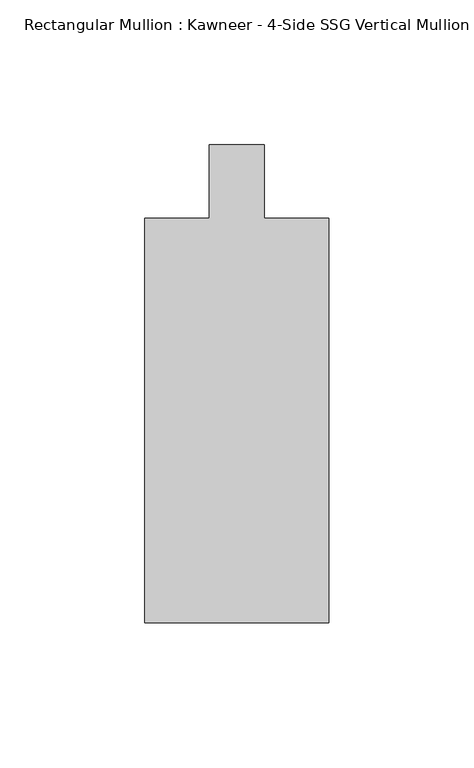
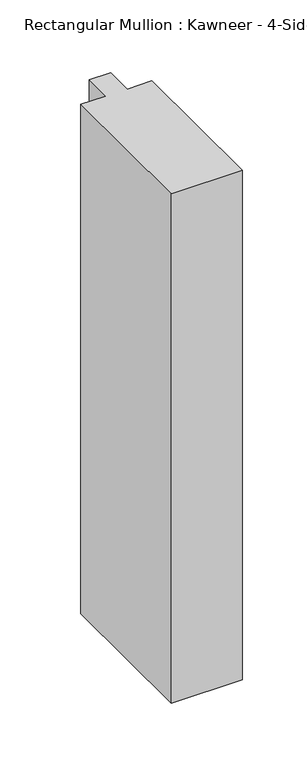
"""IFC4 building model written with IfcOpenShell, lengths in millimetres: member geometry."""

import ifcopenshell
import ifcopenshell.guid

model = None  # the IFC model being written
_history = None  # IfcOwnerHistory: only IFC2X3 demands one
_inside = {}  # id of a spatial element -> (the spatial element, [elements in it])
_under = {}  # id of a project, library or spatial element -> (it, [spatial elements below it])
_declared = {}  # id of a project -> (the project, [libraries it declares])
_typed = {}  # id of a type object -> (the type object, [elements of that type])
_made_of = {}  # id of a material, layer set ... -> (it, [elements and type objects made of it])


def new_model(schema):
    """Start an empty IFC model of exactly this schema.

    Asked for "IFC4X3", IfcOpenShell would pick the latest addendum, in which some entities
    have other attributes; the version numbers below select the first issue.
    IFC2X3 requires an IfcOwnerHistory on every rooted entity: one is made here for all.
    """
    global model, _history
    if schema == "IFC4X3":
        model = ifcopenshell.file(schema_version=(4, 3, 0, 0))
    else:
        model = ifcopenshell.file(schema=schema)
    _inside.clear()
    _under.clear()
    _declared.clear()
    _typed.clear()
    _made_of.clear()
    _history = None
    if model.schema == "IFC2X3":
        org = make("IfcOrganization", Name="unknown")
        user = make(
            "IfcPersonAndOrganization",
            ThePerson=make("IfcPerson", FamilyName="unknown"),
            TheOrganization=org,
        )
        app = make(
            "IfcApplication",
            ApplicationDeveloper=org,
            Version="unknown",
            ApplicationFullName="unknown",
            ApplicationIdentifier="unknown",
        )
        _history = make(
            "IfcOwnerHistory",
            OwningUser=user,
            OwningApplication=app,
            ChangeAction="ADDED",
            CreationDate=0,
        )
    return model


def make(cls, **values):
    """One entity of the class cls with the attributes given. An attribute that is None is left unset."""
    return model.create_entity(
        cls, **{name: value for name, value in values.items() if value is not None}
    )


def rooted(cls, **values):
    """An entity with a GlobalId (a new one), such as an element, a storey or a relation."""
    return make(cls, GlobalId=ifcopenshell.guid.new(), OwnerHistory=_history, **values)


def si_unit(unit_type, name, prefix=None):
    """IfcSIUnit, for example si_unit("LENGTHUNIT", "METRE", prefix="MILLI")."""
    return make("IfcSIUnit", UnitType=unit_type, Prefix=prefix, Name=name)


def assignment(units):
    """IfcUnitAssignment: the units of a project."""
    return None if units is None else make("IfcUnitAssignment", Units=units)


def point(xyz):
    """IfcCartesianPoint."""
    return None if xyz is None else make("IfcCartesianPoint", Coordinates=xyz)


def direction(xyz):
    """IfcDirection."""
    return None if xyz is None else make("IfcDirection", DirectionRatios=xyz)


def frame(location, z_axis=None, x_axis=None):
    """IfcAxis2Placement3D, a coordinate frame: its origin and axes. An axis left out is left unset."""
    return make(
        "IfcAxis2Placement3D",
        Location=point(location),
        Axis=direction(z_axis),
        RefDirection=direction(x_axis),
    )


def origin():
    """The frame at (0, 0, 0) with its axes left unset."""
    return frame((0.0, 0.0, 0.0))


def place(relative_to, where):
    """IfcLocalPlacement: puts the frame where relative to a parent placement (None: the world)."""
    return make(
        "IfcLocalPlacement", PlacementRelTo=relative_to, RelativePlacement=where
    )


def context(
    kind, dimensions, precision=None, world=None, true_north=None, identifier=None
):
    """IfcGeometricRepresentationContext, for example the 3D "Model" context."""
    return make(
        "IfcGeometricRepresentationContext",
        ContextIdentifier=identifier,
        ContextType=kind,
        CoordinateSpaceDimension=dimensions,
        Precision=precision,
        WorldCoordinateSystem=world,
        TrueNorth=true_north,
    )


def project(units=None, contexts=None):
    """IfcProject with its units and contexts."""
    return rooted(
        "IfcProject",
        Name="project",
        RepresentationContexts=contexts,
        UnitsInContext=assignment(units),
    )


def spatial(cls, under=None, at=None, **own):
    """A site, building, storey or space (cls), placed at a placement, below another one or the project."""
    s = rooted(cls, ObjectPlacement=at, **own)
    if under is not None:
        _under.setdefault(under.id(), (under, []))[1].append(s)
    return s


def polyline(points):
    """IfcPolyline through the points."""
    return make("IfcPolyline", Points=[point(p) for p in points])


def outline(outer, holes=None, kind="AREA"):
    """IfcArbitraryClosedProfileDef: a profile drawn as a closed curve; with holes, ...WithVoids."""
    if holes is None:
        return make("IfcArbitraryClosedProfileDef", ProfileType=kind, OuterCurve=outer)
    return make(
        "IfcArbitraryProfileDefWithVoids",
        ProfileType=kind,
        OuterCurve=outer,
        InnerCurves=holes,
    )


def extrude(swept, where, along, depth):
    """IfcExtrudedAreaSolid: the profile swept, set in the frame where, extruded along a direction by depth."""
    return make(
        "IfcExtrudedAreaSolid",
        SweptArea=swept,
        Position=where,
        ExtrudedDirection=direction(along),
        Depth=depth,
    )


def shape(context_of_items, identifier, shape_type, items):
    """IfcShapeRepresentation: the items that make up one representation, for example the "Body"."""
    return make(
        "IfcShapeRepresentation",
        ContextOfItems=context_of_items,
        RepresentationIdentifier=identifier,
        RepresentationType=shape_type,
        Items=items,
    )


def source(mapping_origin, context_of_items, identifier, shape_type, items):
    """IfcRepresentationMap: a shape defined once, which mapped items show again and again."""
    return make(
        "IfcRepresentationMap",
        MappingOrigin=mapping_origin,
        MappedRepresentation=shape(context_of_items, identifier, shape_type, items),
    )


def transform(
    local_origin,
    x_axis=None,
    y_axis=None,
    z_axis=None,
    scale=None,
    scale2=None,
    scale3=None,
    uniform=True,
):
    """IfcCartesianTransformationOperator3D, or its non-uniform kind. x_axis, y_axis, z_axis: its Axis1, 2, 3."""
    if uniform:
        return make(
            "IfcCartesianTransformationOperator3D",
            Axis1=direction(x_axis),
            Axis2=direction(y_axis),
            LocalOrigin=point(local_origin),
            Scale=scale,
            Axis3=direction(z_axis),
        )
    return make(
        "IfcCartesianTransformationOperator3DnonUniform",
        Axis1=direction(x_axis),
        Axis2=direction(y_axis),
        LocalOrigin=point(local_origin),
        Scale=scale,
        Axis3=direction(z_axis),
        Scale2=scale2,
        Scale3=scale3,
    )


def mapped(mapping_source, mapping_target):
    """IfcMappedItem: shows the shape of a source again, moved by a transform."""
    return make(
        "IfcMappedItem", MappingSource=mapping_source, MappingTarget=mapping_target
    )


def made_of(thing, what):
    """Note that an element or type object is made of a material, layer set ...; save() writes the relation."""
    if what is not None:
        _made_of.setdefault(what.id(), (what, []))[1].append(thing)
    return thing


def element(
    cls,
    number,
    at=None,
    inside=None,
    cuts=None,
    type_object=None,
    material=None,
    context=None,
    identifier="Body",
    shape_type=None,
    held_by="IfcProductDefinitionShape",
    body=None,
    shapes=None,
    **own,
):
    """One element of the class cls, such as IfcWall. Its Tag is "e" and its number.

    at: its placement. inside: the storey or other place that contains it. cuts: it is an
    opening in that element (IfcRelVoidsElement). A single representation is given by context,
    identifier, shape_type and body (its items); several are given by shapes. held_by: the class
    of the entity that holds the representations. save() writes the other relations.
    """
    e = rooted(cls, Tag="e%d" % number, ObjectPlacement=at, **own)
    if body is not None:
        shapes = [shape(context, identifier, shape_type, body)]
    if shapes is not None:
        e.Representation = make(held_by, Representations=shapes)
    if inside is not None:
        _inside.setdefault(inside.id(), (inside, []))[1].append(e)
    if cuts is not None:
        rooted(
            "IfcRelVoidsElement", RelatingBuildingElement=cuts, RelatedOpeningElement=e
        )
    if type_object is not None:
        _typed.setdefault(type_object.id(), (type_object, []))[1].append(e)
    return made_of(e, material)


def aggregate(whole, parts):
    """IfcRelAggregates: a whole, such as a stair, and the parts it consists of."""
    return rooted("IfcRelAggregates", RelatingObject=whole, RelatedObjects=parts)


def save(model, path):
    """Write the relations noted so far, then the file.

    IfcRelAggregates (storeys below a building ...), IfcRelContainedInSpatialStructure (elements
    in a storey), IfcRelDefinesByType, IfcRelAssociatesMaterial and IfcRelDeclares: one each for
    every whole, place, type object, material and project.
    """
    for whole, parts in _under.values():
        aggregate(whole, parts)
    for where, things in _inside.values():
        rooted(
            "IfcRelContainedInSpatialStructure",
            RelatedElements=things,
            RelatingStructure=where,
        )
    for kind, things in _typed.values():
        rooted("IfcRelDefinesByType", RelatedObjects=things, RelatingType=kind)
    for what, things in _made_of.values():
        rooted("IfcRelAssociatesMaterial", RelatedObjects=things, RelatingMaterial=what)
    for by, libraries in _declared.values():
        rooted("IfcRelDeclares", RelatingContext=by, RelatedDefinitions=libraries)
    model.write(path)


def member_f3b200ef(model_context):
    return source(origin(), model_context, "Body", "SweptSolid", [
        extrude(outline(polyline([(-31.75, -152.399995), (-31.75, -12.7), (-9.5251132, -12.7), (-9.5251132, 12.7), (9.5251132, 12.7), (9.5251132, -12.7), (31.75, -12.7), (31.75, -152.399995), (-31.75, -152.399995)])), frame((0.0, 0.0, -482.1103332), z_axis=(0.0, 0.0, 1.0), x_axis=(1.0, 0.0, 0.0)), (0.0, 0.0, 1.0), 482.1103332),
    ])


if __name__ == "__main__":
    model = new_model("IFC4")
    model_context = context("Model", 3, world=origin())
    ifc_project = project(units=[si_unit("LENGTHUNIT", "METRE", prefix="MILLI")], contexts=[model_context])
    site = spatial("IfcSite", under=ifc_project)
    building = spatial("IfcBuilding", under=site)
    placement = place(None, origin())
    member_shape = member_f3b200ef(model_context)
    element("IfcMember", 1, ObjectType="Rectangular Mullion : Kawneer - 4-Side SSG Vertical Mullion - 6 1/2\"", at=placement, inside=building, context=model_context, shape_type="MappedRepresentation", body=[
        mapped(member_shape, transform((0.0, 0.0, 0.0), x_axis=(1.0, 0.0, 0.0), y_axis=(0.0, 1.0, 0.0), z_axis=(0.0, 0.0, 1.0))),
    ])
    save(model, "model.ifc")
